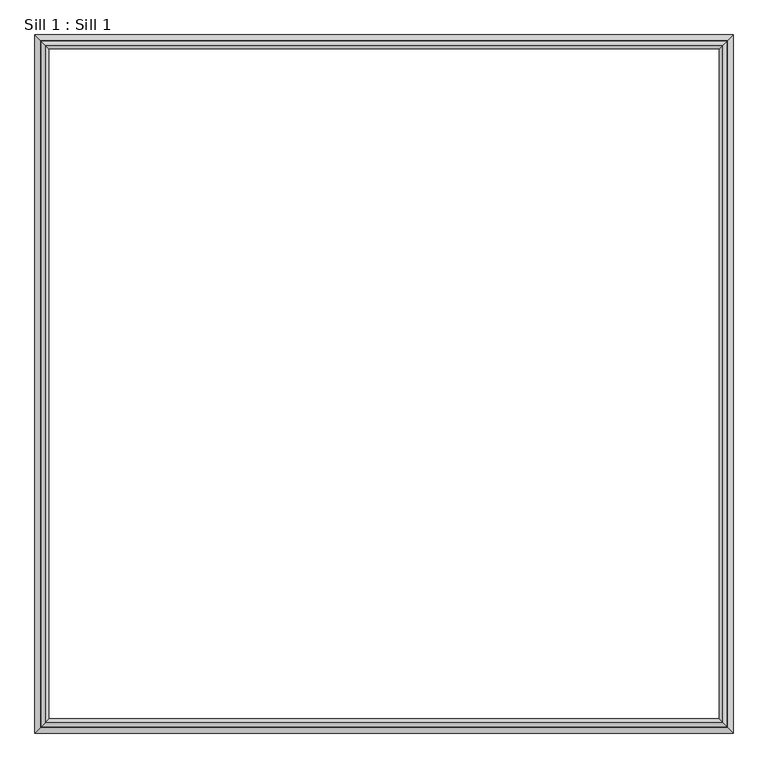
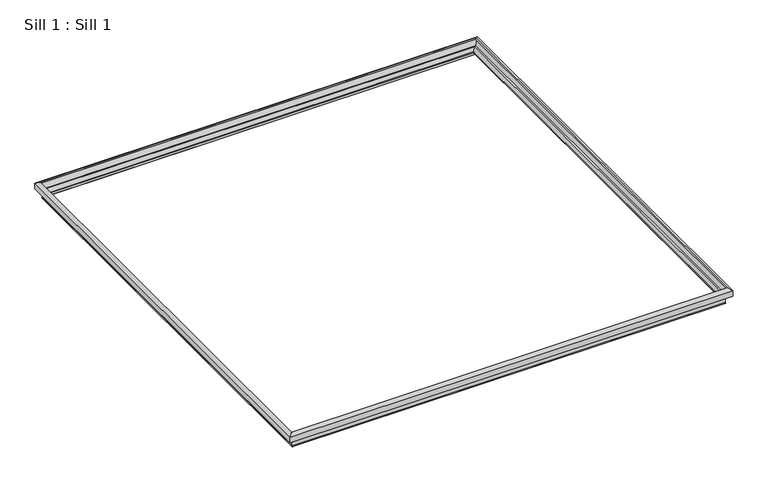
"""IFC4 building model written with IfcOpenShell, lengths in millimetres: proxy geometry, Sill 1 : Sill 1."""

from ifc_helpers import new_model, si_unit, origin, place, context, project, spatial, faceted_brep, source, transform, mapped, element, save


def sill_1_sill_1_57f2742a(model_context):
    return source(origin(), model_context, "Body", "Brep", [
        faceted_brep([(17213.7385532, 16232.7479349, -3.9564132), (17213.7385532, 16232.7479349, -103.1699938), (9887.485867, 16232.7479349, -103.1699938), (9887.485867, 16232.7479349, -3.9564132), (17160.0290622, 16179.0384439, 27.0527759), (9941.195358, 16179.0384439, 27.0527759), (17152.3063568, 16171.3157384, 13.6766577), (9948.9180634, 16171.3157384, 13.6766577), (17201.9110075, 16220.9203891, -14.9626007), (9899.3134127, 16220.9203891, -14.9626007), (17152.1768243, 16171.186206, -101.1047328), (9949.0475959, 16171.186206, -101.1047328), (9887.485867, 8907.1080162, -103.1699938), (9887.485867, 8907.1080162, -3.9564132), (9941.195358, 8960.8175072, 27.0527759), (9948.9180634, 8968.5402126, 13.6766577), (9899.3134127, 8918.9355619, -14.9626007), (9949.0475959, 8968.6697451, -101.1047328), (17213.7385532, 8907.1080162, -103.1699938), (17213.7385532, 8907.1080162, -3.9564132), (17160.0290622, 8960.8175072, 27.0527759), (17152.3063568, 8968.5402126, 13.6766577), (17201.9110075, 8918.9355619, -14.9626007), (17152.1768243, 8968.6697451, -101.1047328), (9942.4981616, 16177.7356403, -103.1699938), (9942.4981616, 8962.1203108, -103.1699938), (17158.7262586, 8962.1203108, -103.1699938), (17158.7262586, 16177.7356403, -103.1699938), (17099.604134, 16118.6135156, -70.7518759), (10001.6202862, 16118.6135156, -70.7518759), (17066.4352183, 16085.4445999, -128.2021232), (10034.7892019, 16085.4445999, -128.2021232), (17066.4352183, 16085.4445999, -142.344667), (10034.7892019, 16085.4445999, -142.344667), (17085.3877009, 16104.3970826, -153.286888), (10015.8367193, 16104.3970826, -153.286888), (17114.3227033, 16133.3320849, -103.1699938), (9986.9017169, 16133.3320849, -103.1699938), (17163.0877101, 16182.0970918, -107.53401), (17155.5290123, 16174.538394, -103.1699938), (9945.6954079, 16174.538394, -103.1699938), (9938.1367101, 16182.0970918, -107.53401), (17133.6848015, 16152.6941832, -158.4613415), (9967.5396187, 16152.6941832, -158.4613415), (17133.6848015, 16152.6941832, -233.7495397), (9967.5396187, 16152.6941832, -233.7495397), (17142.6721972, 16161.6815788, -242.7369354), (9958.552223, 16161.6815788, -242.7369354), (17143.8057727, 16162.8151543, -241.6033599), (9957.4186475, 16162.8151543, -241.6033599), (17135.2841879, 16154.2935696, -233.0817751), (9965.9402323, 16154.2935696, -233.0817751), (17135.2841879, 16154.2935696, -158.8897094), (9965.9402323, 16154.2935696, -158.8897094), (17165.2720502, 16184.2814318, -106.9492083), (9935.95237, 16184.2814318, -106.9492083), (10001.6202862, 9021.2424354, -70.7518759), (10034.7892019, 9054.4113511, -128.2021232), (10034.7892019, 9054.4113511, -142.344667), (10015.8367193, 9035.4588685, -153.286888), (9986.9017169, 9006.5238661, -103.1699938), (9945.6954079, 8965.3175571, -103.1699938), (9938.1367101, 8957.7588593, -107.53401), (9967.5396187, 8987.1617679, -158.4613415), (9967.5396187, 8987.1617679, -233.7495397), (9958.552223, 8978.1743722, -242.7369354), (9957.4186475, 8977.0407967, -241.6033599), (9965.9402323, 8985.5623815, -233.0817751), (9965.9402323, 8985.5623815, -158.8897094), (9935.95237, 8955.5745192, -106.9492083), (17099.604134, 9021.2424354, -70.7518759), (17066.4352183, 9054.4113511, -128.2021232), (17066.4352183, 9054.4113511, -142.344667), (17085.3877009, 9035.4588685, -153.286888), (17114.3227033, 9006.5238661, -103.1699938), (17155.5290123, 8965.3175571, -103.1699938), (17163.0877101, 8957.7588593, -107.53401), (17133.6848015, 8987.1617679, -158.4613415), (17133.6848015, 8987.1617679, -233.7495397), (17142.6721972, 8978.1743722, -242.7369354), (17143.8057727, 8977.0407967, -241.6033599), (17135.2841879, 8985.5623815, -233.0817751), (17135.2841879, 8985.5623815, -158.8897094), (17165.2720502, 8955.5745192, -106.9492083)], [[[0, 1, 2, 3]], [[4, 0, 3, 5]], [[6, 4, 5, 7]], [[8, 6, 7, 9]], [[10, 8, 9, 11]], [[3, 2, 12, 13]], [[5, 3, 13, 14]], [[7, 5, 14, 15]], [[9, 7, 15, 16]], [[11, 9, 16, 17]], [[13, 12, 18, 19]], [[14, 13, 19, 20]], [[15, 14, 20, 21]], [[16, 15, 21, 22]], [[17, 16, 22, 23]], [[19, 18, 1, 0]], [[20, 19, 0, 4]], [[21, 20, 4, 6]], [[22, 21, 6, 8]], [[23, 22, 8, 10]], [[1, 18, 12, 2], [24, 25, 26, 27]], [[28, 10, 11, 29]], [[30, 28, 29, 31]], [[32, 30, 31, 33]], [[34, 32, 33, 35]], [[36, 34, 35, 37]], [[38, 39, 40, 41]], [[42, 38, 41, 43]], [[44, 42, 43, 45]], [[46, 44, 45, 47]], [[48, 46, 47, 49]], [[50, 48, 49, 51]], [[52, 50, 51, 53]], [[54, 52, 53, 55]], [[27, 54, 55, 24]], [[29, 11, 17, 56]], [[31, 29, 56, 57]], [[33, 31, 57, 58]], [[35, 33, 58, 59]], [[37, 35, 59, 60]], [[41, 40, 61, 62]], [[43, 41, 62, 63]], [[45, 43, 63, 64]], [[47, 45, 64, 65]], [[49, 47, 65, 66]], [[51, 49, 66, 67]], [[53, 51, 67, 68]], [[55, 53, 68, 69]], [[24, 55, 69, 25]], [[56, 17, 23, 70]], [[57, 56, 70, 71]], [[58, 57, 71, 72]], [[59, 58, 72, 73]], [[60, 59, 73, 74]], [[62, 61, 75, 76]], [[63, 62, 76, 77]], [[64, 63, 77, 78]], [[65, 64, 78, 79]], [[66, 65, 79, 80]], [[67, 66, 80, 81]], [[68, 67, 81, 82]], [[69, 68, 82, 83]], [[25, 69, 83, 26]], [[70, 23, 10, 28]], [[71, 70, 28, 30]], [[72, 71, 30, 32]], [[73, 72, 32, 34]], [[74, 73, 34, 36]], [[39, 75, 61, 40], [37, 60, 74, 36]], [[76, 75, 39, 38]], [[77, 76, 38, 42]], [[78, 77, 42, 44]], [[79, 78, 44, 46]], [[80, 79, 46, 48]], [[81, 80, 48, 50]], [[82, 81, 50, 52]], [[83, 82, 52, 54]], [[26, 83, 54, 27]]]),
    ])


if __name__ == "__main__":
    model = new_model("IFC4")
    model_context = context("Model", 3, world=origin())
    ifc_project = project(units=[si_unit("LENGTHUNIT", "METRE", prefix="MILLI")], contexts=[model_context])
    site = spatial("IfcSite", under=ifc_project)
    building = spatial("IfcBuilding", under=site)
    placement = place(None, origin())
    sill_1_sill_1_shape = sill_1_sill_1_57f2742a(model_context)
    element("IfcBuildingElementProxy", 1, Name="Sill 1 : Sill 1", ObjectType="Sill 1 : Sill 1", at=placement, inside=building, context=model_context, shape_type="MappedRepresentation", body=[
        mapped(sill_1_sill_1_shape, transform((0.0, 0.0, 0.0), x_axis=(1.0, 0.0, 0.0), y_axis=(0.0, 1.0, 0.0), z_axis=(0.0, 0.0, 1.0))),
    ])
    save(model, "model.ifc")
